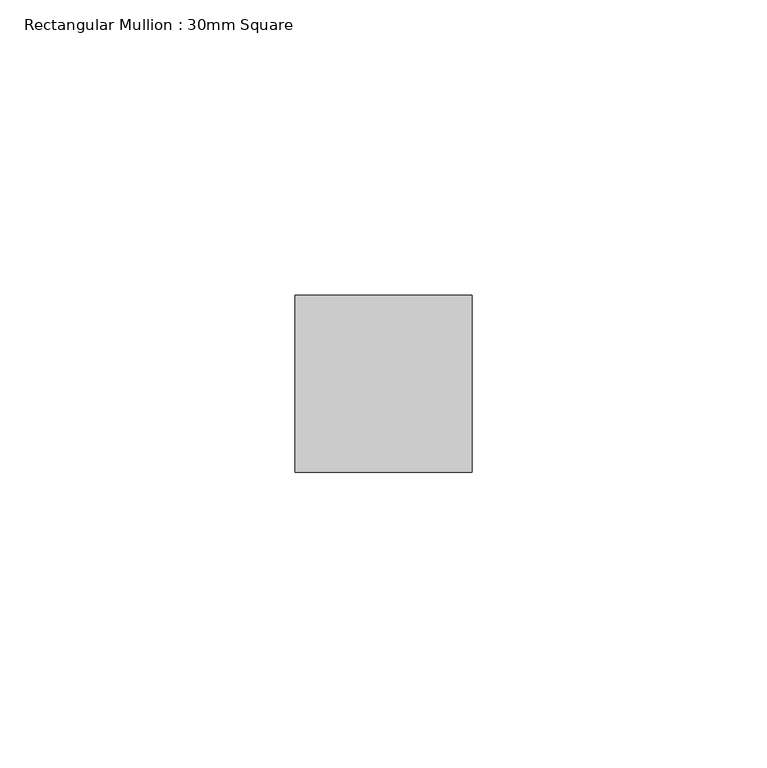
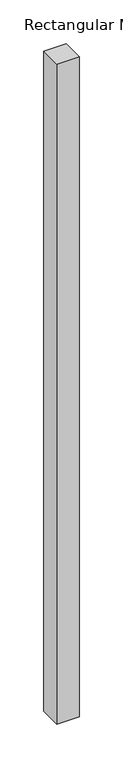
"""IFC4 building model written with IfcOpenShell, lengths in millimetres: member geometry, Rectangular Mullion : 30mm Square."""

from ifc_helpers import new_model, si_unit, frame, origin, place, context, project, spatial, polyline, outline, extrude, source, transform, mapped, element, save


def rectangular_mullion_30mm_square_1795f99e(model_context):
    return source(origin(), model_context, "Body", "SweptSolid", [
        extrude(outline(polyline([(15.0, 15.0), (15.0, -15.0), (-15.0, -15.0), (-15.0, 15.0), (15.0, 15.0)])), frame((0.0, 0.0, -925.7678036), z_axis=(0.0, 0.0, 1.0), x_axis=(1.0, 0.0, 0.0)), (0.0, 0.0, 1.0), 925.7678036),
    ])


if __name__ == "__main__":
    model = new_model("IFC4")
    model_context = context("Model", 3, world=origin())
    ifc_project = project(units=[si_unit("LENGTHUNIT", "METRE", prefix="MILLI")], contexts=[model_context])
    site = spatial("IfcSite", under=ifc_project)
    building = spatial("IfcBuilding", under=site)
    placement = place(None, origin())
    rectangular_mullion_30mm_square_shape = rectangular_mullion_30mm_square_1795f99e(model_context)
    element("IfcMember", 1, ObjectType="Rectangular Mullion : 30mm Square", at=placement, inside=building, context=model_context, shape_type="MappedRepresentation", body=[
        mapped(rectangular_mullion_30mm_square_shape, transform((0.0, 0.0, 0.0), x_axis=(1.0, 0.0, 0.0), y_axis=(0.0, 1.0, 0.0), z_axis=(0.0, 0.0, 1.0))),
    ])
    save(model, "model.ifc")
